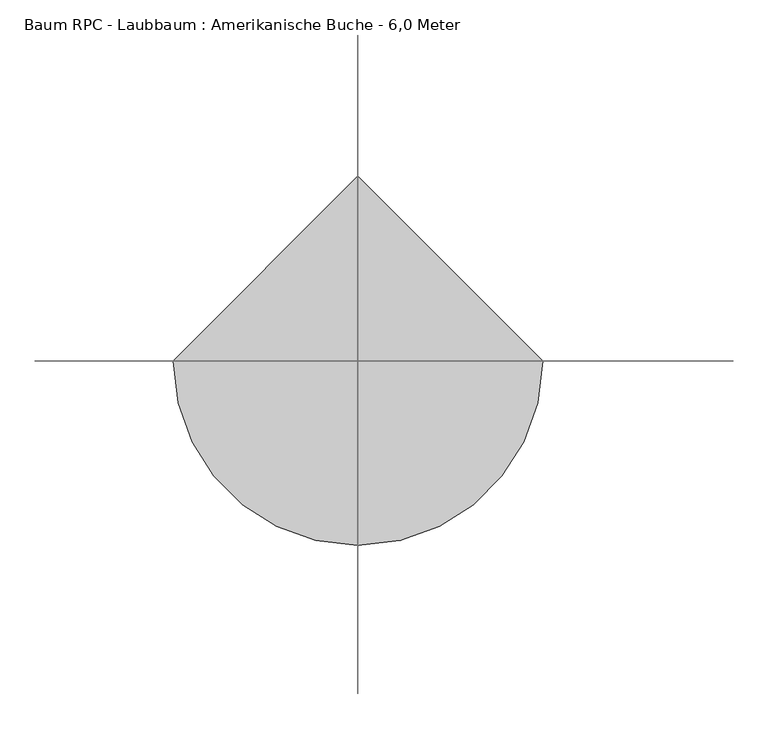
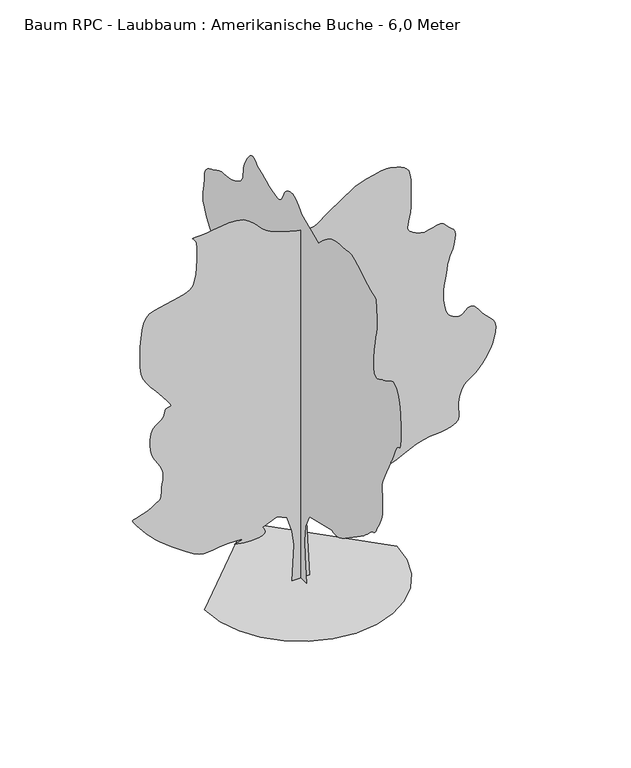
"""IFC4 building model written with IfcOpenShell, lengths in millimetres: geographic element geometry, Baum RPC - Laubbaum : Amerikanische Buche - 6,0 Meter."""

import ifcopenshell
import ifcopenshell.guid

model = None  # the IFC model being written
_history = None  # IfcOwnerHistory: only IFC2X3 demands one
_inside = {}  # id of a spatial element -> (the spatial element, [elements in it])
_under = {}  # id of a project, library or spatial element -> (it, [spatial elements below it])
_declared = {}  # id of a project -> (the project, [libraries it declares])
_typed = {}  # id of a type object -> (the type object, [elements of that type])
_made_of = {}  # id of a material, layer set ... -> (it, [elements and type objects made of it])


def new_model(schema):
    """Start an empty IFC model of exactly this schema.

    Asked for "IFC4X3", IfcOpenShell would pick the latest addendum, in which some entities
    have other attributes; the version numbers below select the first issue.
    IFC2X3 requires an IfcOwnerHistory on every rooted entity: one is made here for all.
    """
    global model, _history
    if schema == "IFC4X3":
        model = ifcopenshell.file(schema_version=(4, 3, 0, 0))
    else:
        model = ifcopenshell.file(schema=schema)
    _inside.clear()
    _under.clear()
    _declared.clear()
    _typed.clear()
    _made_of.clear()
    _history = None
    if model.schema == "IFC2X3":
        org = make("IfcOrganization", Name="unknown")
        user = make(
            "IfcPersonAndOrganization",
            ThePerson=make("IfcPerson", FamilyName="unknown"),
            TheOrganization=org,
        )
        app = make(
            "IfcApplication",
            ApplicationDeveloper=org,
            Version="unknown",
            ApplicationFullName="unknown",
            ApplicationIdentifier="unknown",
        )
        _history = make(
            "IfcOwnerHistory",
            OwningUser=user,
            OwningApplication=app,
            ChangeAction="ADDED",
            CreationDate=0,
        )
    return model


def make(cls, **values):
    """One entity of the class cls with the attributes given. An attribute that is None is left unset."""
    return model.create_entity(
        cls, **{name: value for name, value in values.items() if value is not None}
    )


def rooted(cls, **values):
    """An entity with a GlobalId (a new one), such as an element, a storey or a relation."""
    return make(cls, GlobalId=ifcopenshell.guid.new(), OwnerHistory=_history, **values)


def si_unit(unit_type, name, prefix=None):
    """IfcSIUnit, for example si_unit("LENGTHUNIT", "METRE", prefix="MILLI")."""
    return make("IfcSIUnit", UnitType=unit_type, Prefix=prefix, Name=name)


def assignment(units):
    """IfcUnitAssignment: the units of a project."""
    return None if units is None else make("IfcUnitAssignment", Units=units)


def point(xyz):
    """IfcCartesianPoint."""
    return None if xyz is None else make("IfcCartesianPoint", Coordinates=xyz)


def direction(xyz):
    """IfcDirection."""
    return None if xyz is None else make("IfcDirection", DirectionRatios=xyz)


def frame(location, z_axis=None, x_axis=None):
    """IfcAxis2Placement3D, a coordinate frame: its origin and axes. An axis left out is left unset."""
    return make(
        "IfcAxis2Placement3D",
        Location=point(location),
        Axis=direction(z_axis),
        RefDirection=direction(x_axis),
    )


def origin():
    """The frame at (0, 0, 0) with its axes left unset."""
    return frame((0.0, 0.0, 0.0))


def place(relative_to, where):
    """IfcLocalPlacement: puts the frame where relative to a parent placement (None: the world)."""
    return make(
        "IfcLocalPlacement", PlacementRelTo=relative_to, RelativePlacement=where
    )


def context(
    kind, dimensions, precision=None, world=None, true_north=None, identifier=None
):
    """IfcGeometricRepresentationContext, for example the 3D "Model" context."""
    return make(
        "IfcGeometricRepresentationContext",
        ContextIdentifier=identifier,
        ContextType=kind,
        CoordinateSpaceDimension=dimensions,
        Precision=precision,
        WorldCoordinateSystem=world,
        TrueNorth=true_north,
    )


def project(units=None, contexts=None):
    """IfcProject with its units and contexts."""
    return rooted(
        "IfcProject",
        Name="project",
        RepresentationContexts=contexts,
        UnitsInContext=assignment(units),
    )


def spatial(cls, under=None, at=None, **own):
    """A site, building, storey or space (cls), placed at a placement, below another one or the project."""
    s = rooted(cls, ObjectPlacement=at, **own)
    if under is not None:
        _under.setdefault(under.id(), (under, []))[1].append(s)
    return s


def point_list(points):
    """IfcCartesianPointList2D or 3D."""
    cls = (
        "IfcCartesianPointList2D" if len(points[0]) == 2 else "IfcCartesianPointList3D"
    )
    return make(cls, CoordList=points)


def triangles(points, corners, closed=None, point_numbers=None):
    """IfcTriangulatedFaceSet: each triangle names its three corners, points numbered from 1."""
    return make(
        "IfcTriangulatedFaceSet",
        Coordinates=point_list(points),
        Closed=closed,
        CoordIndex=corners,
        PnIndex=point_numbers,
    )


def shape(context_of_items, identifier, shape_type, items):
    """IfcShapeRepresentation: the items that make up one representation, for example the "Body"."""
    return make(
        "IfcShapeRepresentation",
        ContextOfItems=context_of_items,
        RepresentationIdentifier=identifier,
        RepresentationType=shape_type,
        Items=items,
    )


def source(mapping_origin, context_of_items, identifier, shape_type, items):
    """IfcRepresentationMap: a shape defined once, which mapped items show again and again."""
    return make(
        "IfcRepresentationMap",
        MappingOrigin=mapping_origin,
        MappedRepresentation=shape(context_of_items, identifier, shape_type, items),
    )


def transform(
    local_origin,
    x_axis=None,
    y_axis=None,
    z_axis=None,
    scale=None,
    scale2=None,
    scale3=None,
    uniform=True,
):
    """IfcCartesianTransformationOperator3D, or its non-uniform kind. x_axis, y_axis, z_axis: its Axis1, 2, 3."""
    if uniform:
        return make(
            "IfcCartesianTransformationOperator3D",
            Axis1=direction(x_axis),
            Axis2=direction(y_axis),
            LocalOrigin=point(local_origin),
            Scale=scale,
            Axis3=direction(z_axis),
        )
    return make(
        "IfcCartesianTransformationOperator3DnonUniform",
        Axis1=direction(x_axis),
        Axis2=direction(y_axis),
        LocalOrigin=point(local_origin),
        Scale=scale,
        Axis3=direction(z_axis),
        Scale2=scale2,
        Scale3=scale3,
    )


def mapped(mapping_source, mapping_target):
    """IfcMappedItem: shows the shape of a source again, moved by a transform."""
    return make(
        "IfcMappedItem", MappingSource=mapping_source, MappingTarget=mapping_target
    )


def made_of(thing, what):
    """Note that an element or type object is made of a material, layer set ...; save() writes the relation."""
    if what is not None:
        _made_of.setdefault(what.id(), (what, []))[1].append(thing)
    return thing


def element(
    cls,
    number,
    at=None,
    inside=None,
    cuts=None,
    type_object=None,
    material=None,
    context=None,
    identifier="Body",
    shape_type=None,
    held_by="IfcProductDefinitionShape",
    body=None,
    shapes=None,
    **own,
):
    """One element of the class cls, such as IfcWall. Its Tag is "e" and its number.

    at: its placement. inside: the storey or other place that contains it. cuts: it is an
    opening in that element (IfcRelVoidsElement). A single representation is given by context,
    identifier, shape_type and body (its items); several are given by shapes. held_by: the class
    of the entity that holds the representations. save() writes the other relations.
    """
    e = rooted(cls, Tag="e%d" % number, ObjectPlacement=at, **own)
    if body is not None:
        shapes = [shape(context, identifier, shape_type, body)]
    if shapes is not None:
        e.Representation = make(held_by, Representations=shapes)
    if inside is not None:
        _inside.setdefault(inside.id(), (inside, []))[1].append(e)
    if cuts is not None:
        rooted(
            "IfcRelVoidsElement", RelatingBuildingElement=cuts, RelatedOpeningElement=e
        )
    if type_object is not None:
        _typed.setdefault(type_object.id(), (type_object, []))[1].append(e)
    return made_of(e, material)


def aggregate(whole, parts):
    """IfcRelAggregates: a whole, such as a stair, and the parts it consists of."""
    return rooted("IfcRelAggregates", RelatingObject=whole, RelatedObjects=parts)


def save(model, path):
    """Write the relations noted so far, then the file.

    IfcRelAggregates (storeys below a building ...), IfcRelContainedInSpatialStructure (elements
    in a storey), IfcRelDefinesByType, IfcRelAssociatesMaterial and IfcRelDeclares: one each for
    every whole, place, type object, material and project.
    """
    for whole, parts in _under.values():
        aggregate(whole, parts)
    for where, things in _inside.values():
        rooted(
            "IfcRelContainedInSpatialStructure",
            RelatedElements=things,
            RelatingStructure=where,
        )
    for kind, things in _typed.values():
        rooted("IfcRelDefinesByType", RelatedObjects=things, RelatingType=kind)
    for what, things in _made_of.values():
        rooted("IfcRelAssociatesMaterial", RelatedObjects=things, RelatingMaterial=what)
    for by, libraries in _declared.values():
        rooted("IfcRelDeclares", RelatingContext=by, RelatedDefinitions=libraries)
    model.write(path)


def baum_rpc_laubbaum_amerikanische_buche_6_0_meter_192016b0(model_context):
    return source(origin(), model_context, "Body", "Tessellation", [
        triangles([(0.0009733, 134.7013619, 0.0), (0.0009733, -147.494867, 0.0), (0.0009733, -109.8685844, 413.8878181), (0.0009733, -100.4623272, 649.050499), (0.0009733, -119.2748417, 884.2131798), (0.0009733, -232.153435, 1100.5633461), (0.0009733, -805.9506603, 1241.6609837), (0.0009733, -836.5581671, 1230.0334957), (0.0009733, -869.3831984, 1221.2035114), (0.0009733, -906.6532345, 1217.965991), (0.0009733, -950.5882708, 1223.1234524), (0.0009733, -1003.4058317, 1239.4685303), (0.0009733, -1067.3308542, 1269.7985104), (0.0009733, -1144.5859497, 1316.9135124), (0.0009733, -1455.0011593, 1533.2636787), (0.0009733, -1498.8811844, 1564.1163013), (0.0009733, -1542.2661816, 1593.486311), (0.0009733, -1585.8162849, 1623.3513485), (0.0009733, -1630.1888672, 1655.6862934), (0.0009733, -1676.041301, 1692.4613743), (0.0009733, -1724.0338657, 1735.6539413), (0.0009733, -1774.8239342, 1787.2388741), (0.0009733, -1818.8389801, 1828.7590141), (0.0009733, -1849.3615356, 1847.5739994), (0.0009733, -1871.3289448, 1854.3740204), (0.0009733, -1889.6765167, 1859.8590054), (0.0009733, -1909.3389793, 1874.723941), (0.0009733, -1935.2541126, 1909.6614887), (0.0009733, -1972.3591152, 1975.3715767), (0.0009733, -2012.7566494, 2050.40159), (0.0009733, -2045.5841515, 2111.4491718), (0.0009733, -2071.3341785, 2166.4067184), (0.0009733, -2090.5042294, 2223.1767998), (0.0009733, -2103.5867157, 2289.651812), (0.0009733, -2111.0717239, 2373.7344704), (0.0009733, -2113.4592236, 2483.3219673), (0.0009733, -2108.7967175, 2583.5521866), (0.0009733, -2099.1991928, 2645.9521568), (0.0009733, -2091.2441551, 2687.927211), (0.0009733, -2091.5191383, 2726.9521545), (0.0009733, -2106.6016479, 2780.4520866), (0.0009733, -2143.0767471, 2865.9023941), (0.0009733, -2207.5242668, 3000.6773071), (0.0009733, -2272.3543213, 3131.8524399), (0.0009733, -2311.5169018, 3208.0524399), (0.0009733, -2333.894315, 3249.2275429), (0.0009733, -2348.3743904, 3275.2526985), (0.0009733, -2363.8419056, 3306.0525627), (0.0009733, -2389.1819286, 3361.5276649), (0.0009733, -2433.2793823, 3461.6026611), (0.0009733, -2483.0818657, 3552.8029083), (0.0009733, -2520.7019531, 3587.7528099), (0.0009733, -2547.8020432, 3595.3779259), (0.0009733, -2566.002095, 3604.6529411), (0.0009733, -2576.9770065, 3644.5278328), (0.0009733, -2582.3519691, 3743.9528687), (0.0009733, -2583.7771729, 3931.9280228), (0.0009733, -2574.1771774, 4144.4034256), (0.0009733, -2548.4520035, 4302.6033623), (0.0009733, -2511.2269501, 4413.2285866), (0.0009733, -2467.0668549, 4483.053685), (0.0009733, -2420.6093708, 4518.8035378), (0.0009733, -2376.4568333, 4527.2536034), (0.0009733, -2339.2143391, 4515.1284714), (0.0009733, -2306.9368034, 4495.0285355), (0.0009733, -2274.4943069, 4475.2535797), (0.0009733, -2241.7217434, 4456.1535828), (0.0009733, -2208.456768, 4438.0035278), (0.0009733, -2174.5318039, 4421.2036812), (0.0009733, -2139.7866863, 4406.0284447), (0.0009733, -2104.0516582, 4392.8533768), (0.0009733, -2063.4090809, 4373.6783844), (0.0009733, -2017.3366024, 4348.9034431), (0.0009733, -1970.769096, 4331.3783501), (0.0009733, -1928.6465218, 4333.9284851), (0.0009733, -1895.9015728, 4369.4033546), (0.0009733, -1877.4714478, 4450.6036308), (0.0009733, -1878.294072, 4590.3785294), (0.0009733, -1893.3515831, 4743.5287743), (0.0009733, -1912.3565277, 4862.9287537), (0.0009733, -1932.3490574, 4958.6287262), (0.0009733, -1950.3665623, 5040.6789505), (0.0009733, -1963.4490486, 5119.1288132), (0.0009733, -1968.6315811, 5203.9794479), (0.0009733, -1962.9540207, 5305.2790787), (0.0009733, -1955.0840069, 5402.479541), (0.0009733, -1951.8190899, 5472.3543457), (0.0009733, -1947.4040977, 5521.0042831), (0.0009733, -1936.0790623, 5554.5045639), (0.0009733, -1912.0815445, 5578.9792328), (0.0009733, -1869.6565178, 5600.4796646), (0.0009733, -1803.044014, 5625.1043243), (0.0009733, -1720.9064404, 5661.3794357), (0.0009733, -1636.6338226, 5709.179425), (0.0009733, -1551.5337845, 5761.6047134), (0.0009733, -1466.931245, 5811.7045624), (0.0009733, -1384.1386242, 5852.579393), (0.0009733, -1304.4711033, 5877.3546249), (0.0009733, -1229.2460438, 5879.0795197), (0.0009733, -1155.7484224, 5869.4295273), (0.0009733, -1081.2633614, 5862.9049255), (0.0009733, -1007.1082947, 5856.8547134), (0.0009733, -934.5982584, 5848.679631), (0.0009733, -865.0506866, 5835.7548386), (0.0009733, -799.7806154, 5815.4049179), (0.0009733, -740.1056242, 5785.0044479), (0.0009733, -686.9580688, 5749.2798843), (0.0009733, -639.7330444, 5714.5296799), (0.0009733, -597.445473, 5680.604425), (0.0009733, -559.105444, 5647.3547104), (0.0009733, -523.727916, 5614.5793854), (0.0009733, -490.3253763, 5582.1296219), (0.0009733, -457.9103491, 5549.8542664), (0.0009733, -15.8033629, 5737.9794113), (0.0009733, 22.480868, 5779.9547562), (0.0009733, 60.6827967, 5819.9046432), (0.0009733, 98.7203278, 5855.7047836), (0.0009733, 136.5108627, 5885.354718), (0.0009733, 173.9723933, 5906.7795731), (0.0009733, 211.0226754, 5917.9044754), (0.0009733, 247.5792013, 5916.7045486), (0.0009733, 282.6827272, 5907.9045044), (0.0009733, 315.3177446, 5896.9545914), (0.0009733, 345.3202738, 5882.8798691), (0.0009733, 372.5252993, 5864.7048157), (0.0009733, 396.7678239, 5841.4294922), (0.0009733, 417.8828505, 5812.054541), (0.0009733, 435.7103597, 5775.6044403), (0.0009733, 452.7128466, 5735.1795822), (0.0009733, 472.6778707, 5696.4046234), (0.0009733, 497.4153869, 5662.079393), (0.0009733, 528.7329157, 5634.979303), (0.0009733, 568.4429555, 5617.9047638), (0.0009733, 618.3554976, 5613.7044388), (0.0009733, 680.2805695, 5625.1043243), (0.0009733, 747.7156248, 5646.6297546), (0.0009733, 813.1781261, 5670.6294525), (0.0009733, 876.993199, 5696.6796066), (0.0009733, 939.4932358, 5724.37966), (0.0009733, 1001.0058329, 5753.3046387), (0.0009733, 1061.8608393, 5783.054567), (0.0009733, 1122.385924, 5813.2294693), (0.0009733, 1150.6609423, 5838.9296448), (0.0009733, 1179.2634115, 5861.579425), (0.0009733, 1208.5259422, 5878.1545761), (0.0009733, 1238.7735146, 5885.5797043), (0.0009733, 1270.3410645, 5880.8299942), (0.0009733, 1303.5511013, 5860.8794678), (0.0009733, 1338.7360176, 5822.6294769), (0.0009733, 1373.2086227, 5775.8044281), (0.0009733, 1403.7311783, 5731.2548218), (0.0009733, 1429.8111271, 5687.8795624), (0.0009733, 1450.9562027, 5644.4793045), (0.0009733, 1466.6712318, 5599.9546967), (0.0009733, 1476.4611866, 5553.1046494), (0.0009733, 1479.8336552, 5502.8042313), (0.0009733, 1483.4812523, 5452.1044189), (0.0009733, 1495.191148, 5404.7044052), (0.0009733, 1516.1161789, 5360.4042023), (0.0009733, 1547.4087456, 5319.0793991), (0.0009733, 1590.2163071, 5280.554425), (0.0009733, 1645.6963509, 5244.6542908), (0.0009733, 1714.996336, 5211.204007), (0.0009733, 1788.9063595, 5186.2043701), (0.0009733, 1858.2064899, 5172.3790512), (0.0009733, 1924.0515987, 5164.8039322), (0.0009733, 1987.5940865, 5158.5543137), (0.0009733, 2049.9841736, 5148.679335), (0.0009733, 2112.3742607, 5130.2542969), (0.0009733, 2175.9167484, 5098.32892), (0.0009733, 2240.5017597, 5064.3292511), (0.0009733, 2303.2743816, 5038.2291), (0.0009733, 2361.2769459, 5012.9289001), (0.0009733, 2411.5469879, 4981.4040802), (0.0009733, 2451.1195724, 4936.5289124), (0.0009733, 2477.0345604, 4871.2538269), (0.0009733, 2486.331958, 4778.503965), (0.0009733, 2492.5844833, 4683.078685), (0.0009733, 2506.4019539, 4608.2036041), (0.0009733, 2520.4019714, 4544.5287117), (0.0009733, 2527.1521408, 4482.6537094), (0.0009733, 2519.2520416, 4413.2285866), (0.0009733, 2489.2945679, 4326.8283371), (0.0009733, 2429.8919437, 4214.1282394), (0.0009733, 2356.3968658, 4101.0031677), (0.0009733, 2289.9743214, 4014.028244), (0.0009733, 2231.9442879, 3944.8531059), (0.0009733, 2183.6218014, 3885.0279785), (0.0009733, 2146.3266941, 3826.2030807), (0.0009733, 2121.3692059, 3759.9780533), (0.0009733, 2110.0716396, 3677.9528275), (0.0009733, 2115.5842392, 3588.602758), (0.0009733, 2136.8916595, 3505.6778778), (0.0009733, 2169.0617889, 3428.6526375), (0.0009733, 2207.1542313, 3357.0776459), (0.0009733, 2246.2317879, 3290.4526428), (0.0009733, 2281.3643818, 3228.2526604), (0.0009733, 2307.6092915, 3170.0024368), (0.0009733, 2333.0293968, 3130.6025162), (0.0009733, 2364.704353, 3115.0525932), (0.0009733, 2396.2143482, 3108.0524391), (0.0009733, 2421.1443672, 3094.3024063), (0.0009733, 2433.074453, 3058.5275551), (0.0009733, 2425.586974, 2985.3773689), (0.0009733, 2392.2669147, 2859.5771988), (0.0009733, 2346.3593971, 2717.8521286), (0.0009733, 2303.741795, 2602.2772064), (0.0009733, 2261.946817, 2505.6519997), (0.0009733, 2218.506736, 2420.6843662), (0.0009733, 2170.9542606, 2340.1668972), (0.0009733, 2116.8167221, 2256.8517792), (0.0009733, 2053.6316254, 2163.5016632), (0.0009733, 1990.2540985, 2069.4091507), (0.0009733, 1937.0790012, 1987.8215435), (0.0009733, 1893.941518, 1917.4240963), (0.0009733, 1860.6739265, 1856.8965408), (0.0009733, 1837.1164982, 1804.928928), (0.0009733, 1823.1039814, 1760.1989548), (0.0009733, 1818.4689445, 1721.3939106), (0.0009733, 1822.4189941, 1694.76385), (0.0009733, 1831.633984, 1682.286414), (0.0009733, 1842.1640099, 1676.2263187), (0.0009733, 1850.0614929, 1668.8488621), (0.0009733, 1851.3789997, 1652.4213764), (0.0009733, 1842.1640099, 1619.2113396), (0.0009733, 1818.4689445, 1561.4837585), (0.0009733, 1798.7513981, 1500.5736683), (0.0009733, 1796.6388817, 1458.9161819), (0.0009733, 1800.9439968, 1430.4235897), (0.0009733, 1800.4789089, 1409.0036762), (0.0009733, 1784.0514233, 1388.5736732), (0.0009733, 1740.4738506, 1363.0410748), (0.0009733, 1658.5587925, 1326.3210777), (0.0009733, 1569.2912762, 1288.8036003), (0.0009733, 1504.2137077, 1262.3110313), (0.0009733, 1452.9586967, 1242.8959373), (0.0009733, 1405.1585621, 1226.6059433), (0.0009733, 1350.4460587, 1209.4934704), (0.0009733, 1278.4585922, 1187.608469), (0.0009733, 1178.8259382, 1157.003433), (0.0009733, 1078.8083513, 1127.6584219), (0.0009733, 1006.4358067, 1109.9959099), (0.0009733, 952.4932417, 1100.7283796), (0.0009733, 907.7631958, 1096.558358), (0.0009733, 863.0356934, 1094.2008711), (0.0009733, 809.0906576, 1090.3608438), (0.0009733, 736.7181129, 1081.7508316), (0.0009733, 652.0604897, 1068.0108273), (0.0009733, 567.4004683, 1051.3083584), (0.0009733, 482.7428813, 1032.140851), (0.0009733, 398.0828236, 1010.9957754), (0.0009733, 313.4252366, 988.3707756), (0.0009733, 228.7664324, 964.7582634), (0.0009733, 144.1076192, 940.6532667), (134.0396109, 0.0003104, 0.0138465), (-129.3426047, 0.0003104, 0.0138465), (-101.123079, 0.0002775, 554.9979549), (-129.3426047, 0.000265, 780.7556139), (-204.5949064, 0.0002508, 1015.9182947), (-355.1002728, 0.0002461, 1091.1708961), (-571.4504391, 0.0002508, 997.1057802), (-553.8429382, 0.0002524, 972.9983128), (-539.4454159, 0.000254, 949.3882713), (-531.465416, 0.0002555, 926.7632715), (-533.1104101, 0.0002571, 905.6181959), (-547.5904492, 0.0002587, 886.4482178), (-578.1129684, 0.0002587, 869.7482197), (-627.8879826, 0.0002602, 856.0082153), (-686.4380424, 0.0002602, 846.9306444), (-741.5356241, 0.0002602, 843.2831926), (-793.7506056, 0.0002602, 844.1606827), (-843.663184, 0.0002602, 848.6581553), (-891.8481789, 0.0002602, 855.8706511), (-938.8807732, 0.0002587, 864.8932108), (-985.3357864, 0.0002587, 874.8207298), (-938.2757229, 0.0002587, 886.8056814), (-899.1156858, 0.0002571, 898.1307169), (-875.7482168, 0.0002571, 908.1407164), (-876.0782112, 0.0002555, 916.1757637), (-908.000754, 0.0002555, 921.5782682), (-979.4132555, 0.0002555, 923.690712), (-1098.2133442, 0.0002555, 921.8532515), (-1223.378524, 0.0002571, 913.2156973), (-1316.2934921, 0.0002571, 899.9682501), (-1388.4736794, 0.0002571, 889.0256767), (-1451.4387314, 0.0002571, 887.2982386), (-1516.7087299, 0.0002571, 901.6956882), (-1595.8012859, 0.0002555, 939.1307579), (-1700.2313942, 0.0002508, 1006.5108021), (-1816.016478, 0.0002461, 1088.4284037), (-1921.6016029, 0.0002414, 1165.4084433), (-2017.1466431, 0.0002367, 1238.2735451), (-2102.8191753, 0.0002336, 1307.8509842), (-2178.7867767, 0.0002289, 1374.9560452), (-2245.2068504, 0.0002242, 1440.4186192), (-2302.2492989, 0.0002211, 1505.0587143), (-2354.1368294, 0.0002179, 1567.5838223), (-2402.8969345, 0.0002132, 1625.1762371), (-2445.4045143, 0.0002101, 1676.3488403), (-2478.5318527, 0.0002085, 1719.6238152), (-2499.1544312, 0.0002069, 1753.5214554), (-2504.1520912, 0.0002054, 1776.5588573), (-2490.3793854, 0.0002038, 1787.2539894), (-2459.3920326, 0.0002038, 1794.0263958), (-2417.5419708, 0.0002038, 1805.7364368), (-2368.9443558, 0.0002022, 1821.5614883), (-2317.716814, 0.0002007, 1840.6764553), (-2267.9692692, 0.0001991, 1862.2590042), (-2223.8167316, 0.0001991, 1885.4865108), (-2189.3717411, 0.0001975, 1909.5389671), (-2162.3867603, 0.000196, 1927.8015152), (-2138.1966671, 0.000196, 1938.169051), (-2117.2992508, 0.0001944, 1946.561562), (-2100.1866325, 0.0001944, 1958.9015064), (-2087.3541309, 0.0001928, 1981.1165749), (-2079.291687, 0.0001897, 2019.1266094), (-2076.4941833, 0.0001866, 2078.8566845), (-2072.5992176, 0.0001834, 2146.7042873), (-2063.769088, 0.0001787, 2206.9817127), (-2054.2791149, 0.0001756, 2262.4893711), (-2048.4115952, 0.0001725, 2316.0218594), (-2050.4417038, 0.0001693, 2370.3768265), (-2064.6466507, 0.0001662, 2428.3494507), (-2095.3066978, 0.0001615, 2492.7420319), (-2134.2492336, 0.0001583, 2555.8271347), (-2169.5717869, 0.0001552, 2611.5022247), (-2199.9567055, 0.0001521, 2665.0271553), (-2224.0917149, 0.0001489, 2721.6771858), (-2240.6542213, 0.0001442, 2786.727285), (-2248.3342758, 0.0001395, 2865.4274231), (-2245.8117554, 0.0001348, 2963.0772766), (-2228.8892418, 0.0001286, 3053.9275452), (-2197.981826, 0.0001254, 3115.1525871), (-2158.6842247, 0.0001223, 3156.3273994), (-2116.5866489, 0.0001207, 3186.952565), (-2077.289193, 0.0001191, 3216.6024994), (-2046.3816319, 0.000116, 3254.8024933), (-2029.4615891, 0.0001129, 3311.1025452), (-2011.7716805, 0.0001113, 3359.2778023), (-1982.4015255, 0.0001097, 3377.3025742), (-1952.6991234, 0.0001097, 3381.2026268), (-1934.0241005, 0.0001082, 3386.9025696), (-1937.7264908, 0.0001082, 3410.3775902), (-1975.1615604, 0.0001035, 3467.6028763), (-2057.6791981, 9.72e-05, 3574.5027466), (-2156.9017754, 9.09e-05, 3694.6029739), (-2237.5292667, 8.47e-05, 3789.0530228), (-2300.5494026, 8e-05, 3870.1780128), (-2346.9519482, 7.53e-05, 3950.303064), (-2377.7218723, 7.05e-05, 4041.8032928), (-2393.8469055, 6.27e-05, 4156.9782394), (-2396.3144875, 5.33e-05, 4308.2033112), (-2391.2694466, 4.39e-05, 4470.0786049), (-2382.4394623, 3.61e-05, 4609.2538307), (-2367.1893757, 2.98e-05, 4726.0536781), (-2342.8918762, 2.35e-05, 4820.8039993), (-2306.911805, 1.88e-05, 4893.8541916), (-2256.6142937, 1.57e-05, 4945.4789474), (-2189.3717411, 1.41e-05, 4976.0538254), (-2104.7391163, 1.25e-05, 4994.8788391), (-2008.7541321, 1.25e-05, 5012.5289246), (-1908.491502, 1.1e-05, 5031.3539383), (-1811.0265209, 9.4e-06, 5053.6293228), (-1723.4339024, 7.8e-06, 5081.653775), (-1652.7887959, 6.3e-06, 5117.7288986), (-1606.1663509, 3.1e-06, 5164.2039688), (-1578.8513031, -1.6e-06, 5232.7044388), (-1560.4237942, -6.3e-06, 5326.3795349), (-1549.3987404, -1.25e-05, 5434.7043182), (-1544.298761, -2.04e-05, 5547.1544312), (-1543.6387722, -2.67e-05, 5653.1793549), (-1545.9437187, -3.14e-05, 5742.2547318), (-1549.7288074, -3.45e-05, 5803.8294617), (-1560.9438206, -3.76e-05, 5842.6794159), (-1580.7187763, -3.92e-05, 5871.4799835), (-1600.3263004, -4.08e-05, 5891.7049118), (-1611.0487564, -4.08e-05, 5904.879689), (-1604.1663277, -4.23e-05, 5912.4298096), (-1570.95382, -4.23e-05, 5915.9045975), (-1502.6962132, -4.23e-05, 5916.7295471), (-1406.2711395, -4.23e-05, 5923.0547424), (-1298.001004, -4.39e-05, 5937.4550262), (-1183.3109116, -4.39e-05, 5953.0046585), (-1067.6358501, -4.39e-05, 5962.7796432), (-956.4032501, -4.39e-05, 5959.9048187), (-855.043158, -4.39e-05, 5937.4550262), (-768.9856201, -4.08e-05, 5888.5045258), (-703.6355392, -3.61e-05, 5829.3546478), (-655.0655388, -3.29e-05, 5779.2298004), (-614.7254866, -3.14e-05, 5735.7045502), (-574.0554763, -2.82e-05, 5696.3046295), (-524.5004342, -2.67e-05, 5658.5546082), (-457.5028522, -2.35e-05, 5619.9546387), (-364.5052946, -2.19e-05, 5578.0792877), (-256.7552037, -1.88e-05, 5538.7543625), (-153.2841212, -1.72e-05, 5508.8044464), (-57.2167973, -1.57e-05, 5487.254599), (28.3195219, -1.57e-05, 5473.1042999), (100.1988258, -1.57e-05, 5465.3791901), (155.2941184, -1.41e-05, 5463.054332), (190.4793981, -1.57e-05, 5465.2042007), (215.8194211, -1.57e-05, 5473.054303), (243.4629373, -1.57e-05, 5487.6295761), (273.410219, -1.72e-05, 5507.6545166), (305.6602309, -1.88e-05, 5531.7792068), (340.2152802, -2.04e-05, 5558.729306), (377.0728051, -2.19e-05, 5587.1293167), (416.2353493, -2.35e-05, 5615.7043167), (792.4981384, -3.92e-05, 5869.679512), (817.2881224, -3.92e-05, 5878.9295288), (882.5581936, -4.08e-05, 5902.1548553), (974.6482847, -4.23e-05, 5932.6297394), (1079.9033426, -4.55e-05, 5963.5795944), (1184.6634453, -4.55e-05, 5988.3048294), (1275.2734669, -4.7e-05, 6000.0046967), (1338.0760288, -4.7e-05, 5991.9796051), (1385.3260517, -4.55e-05, 5975.0550568), (1436.1986732, -4.39e-05, 5961.4297256), (1487.4012165, -4.39e-05, 5946.3044861), (1535.6386791, -4.23e-05, 5924.9546265), (1577.6262325, -4.08e-05, 5892.5548599), (1610.068729, -3.76e-05, 5844.3798935), (1629.6788692, -3.29e-05, 5775.6294388), (1639.0838184, -2.82e-05, 5698.6044891), (1643.8838161, -2.51e-05, 5627.2047775), (1645.2263214, -2.04e-05, 5558.9042953), (1644.2663509, -1.72e-05, 5491.2793533), (1642.1538345, -1.25e-05, 5421.8545212), (1640.0437889, -7.8e-06, 5348.1293701), (1639.0838184, -3.1e-06, 5267.6790482), (1634.0912453, 1.6e-06, 5187.5792862), (1622.1912449, 6.3e-06, 5116.5539703), (1607.9838272, 9.4e-06, 5054.4042755), (1596.0812107, 1.25e-05, 5001.0040466), (1591.0912537, 1.57e-05, 4956.1288788), (1597.6187622, 1.72e-05, 4919.6537796), (1620.2713039, 1.88e-05, 4891.4037598), (1651.9738747, 2.04e-05, 4868.9289688), (1682.6888603, 2.19e-05, 4849.728978), (1712.5813671, 2.19e-05, 4833.6537964), (1741.8138851, 2.35e-05, 4820.5537239), (1770.5564621, 2.35e-05, 4810.2287727), (1798.9665012, 2.51e-05, 4802.5539505), (1827.213905, 2.51e-05, 4797.3289787), (1863.2490601, 2.51e-05, 4800.3037971), (1911.6264851, 2.35e-05, 4812.9788956), (1967.4065105, 2.35e-05, 4828.9287941), (2025.6565887, 2.19e-05, 4841.7788818), (2081.4366142, 2.19e-05, 4845.0539726), (2129.8141846, 2.35e-05, 4832.3788742), (2165.8491943, 2.51e-05, 4797.3289787), (2195.3593117, 2.67e-05, 4758.0787582), (2225.6892918, 2.82e-05, 4731.9538994), (2254.2093533, 2.98e-05, 4711.4536972), (2278.2892788, 3.14e-05, 4688.9536171), (2295.2918747, 3.29e-05, 4656.9288277), (2302.5867783, 3.61e-05, 4607.7786301), (2297.5418827, 4.08e-05, 4533.9534851), (2283.3617889, 4.55e-05, 4455.6536133), (2265.8942505, 4.86e-05, 4393.6536186), (2246.4493618, 5.17e-05, 4341.2033318), (2226.3468098, 5.49e-05, 4291.5284569), (2206.9042465, 5.8e-05, 4237.9035324), (2189.4342373, 6.27e-05, 4173.6033875), (2175.2567596, 6.74e-05, 4091.8531448), (2162.3117649, 7.21e-05, 4004.3782516), (2148.874213, 7.68e-05, 3925.278138), (2136.7516972, 8.15e-05, 3851.452993), (2127.756752, 8.62e-05, 3779.753009), (2123.6991508, 8.94e-05, 3707.0780846), (2126.3866322, 9.41e-05, 3630.302829), (2137.6292599, 9.88e-05, 3546.2777252), (2155.4842747, 0.0001035, 3469.5027603), (2176.791695, 0.0001066, 3413.652681), (2201.5542824, 0.0001097, 3374.2527603), (2229.7742168, 0.0001113, 3346.8526886), (2261.4493183, 0.0001129, 3327.0277359), (2296.5817669, 0.0001129, 3310.302594), (2335.1669117, 0.0001144, 3292.3025299), (2374.57439, 0.0001144, 3289.8526794), (2413.1618603, 0.0001129, 3313.0777153), (2452.4043777, 0.0001113, 3347.3276596), (2493.7893517, 0.0001097, 3377.9778236), (2538.8020111, 0.0001082, 3390.3276512), (2588.9021507, 0.0001097, 3369.8027412), (2645.5771797, 0.0001144, 3301.7025375), (2706.5522369, 0.0001191, 3218.4776756), (2765.8771042, 0.0001223, 3156.4523918), (2819.5773148, 0.0001254, 3106.9525063), (2863.7772331, 0.0001286, 3061.2523888), (2894.4523956, 0.0001317, 3010.6022827), (2907.702459, 0.0001348, 2946.27743), (2899.552375, 0.0001411, 2859.6021973), (2878.1022308, 0.0001458, 2766.3520752), (2853.5522758, 0.0001505, 2686.1020317), (2825.0272728, 0.0001552, 2615.7519653), (2791.7272705, 0.0001583, 2552.1270699), (2752.8273193, 0.0001615, 2492.1121284), (2707.5271774, 0.0001662, 2432.6019527), (2654.9771873, 0.0001693, 2370.4569088), (2600.8270042, 0.0001725, 2317.1443199), (2551.1021324, 0.0001756, 2280.2868313), (2505.6519997, 0.0001772, 2250.9967587), (2464.3344635, 0.0001787, 2220.3917953), (2426.9544777, 0.0001803, 2179.5842571), (2393.3594353, 0.000185, 2119.691692), (2363.3868462, 0.0001897, 2031.8240902), (2347.2343437, 0.000196, 1934.7965824), (2348.1943142, 0.0002007, 1852.2490047), (2355.7344063, 0.0002038, 1782.5363995), (2359.3269196, 0.0002085, 1724.0138088), (2348.4393574, 0.0002116, 1675.0338043), (2312.5418392, 0.0002132, 1633.9512829), (2241.1017231, 0.0002148, 1599.1237576), (2155.26423, 0.0002164, 1575.9487186), (2078.4766205, 0.0002179, 1565.7737583), (2003.661565, 0.0002179, 1560.866209), (1923.7465302, 0.0002179, 1553.4887524), (1831.6565117, 0.0002195, 1535.9111916), (1720.3138893, 0.0002211, 1500.3962082), (1582.6438042, 0.0002258, 1439.2111347), (1432.7436516, 0.0002289, 1368.8411568), (1291.0710491, 0.000232, 1310.483527), (1160.0909626, 0.0002352, 1263.4785473), (1042.2783136, 0.0002383, 1227.1685543), (940.0957426, 0.0002399, 1200.8959574), (856.0131569, 0.0002399, 1184.000913), (792.4981384, 0.0002414, 1175.8284468), (397.4228348, 0.0002414, 1166.4234249), (105.8200852, 0.0002446, 1119.3909033), (87.0075707, 0.0002587, 865.4131645), (-1430.8636791, 0.0, 0.0118397), (-1393.0360462, -327.8602567, 0.0118397), (-1285.305994, -628.9454762, 0.0118397), (-1116.2958887, -894.6331833, 0.0118397), (-894.6331833, -1116.2958887, 0.0118397), (-628.9454762, -1285.305994, 0.0118397), (-327.8602567, -1393.0360462, 0.0118397), (6.25e-05, -1430.8636791, 0.0118397), (327.8602567, -1393.0360462, 0.0118397), (628.9454762, -1285.305994, 0.0118397), (894.6331833, -1116.2958887, 0.0118397), (1116.2958887, -894.6331833, 0.0118397), (1285.305994, -628.9454762, 0.0118397), (1393.0360462, -327.8602567, 0.0118397), (1430.8636791, 0.0001254, 0.0118397), (-0.0001876, 1430.8636791, 0.0118397)], [[1, 2, 3], [254, 1, 3], [254, 3, 4], [254, 4, 5], [254, 5, 6], [53, 54, 55], [52, 53, 55], [201, 202, 203], [201, 203, 204], [200, 201, 204], [222, 223, 224], [52, 55, 56], [200, 204, 205], [199, 200, 205], [253, 254, 6], [221, 222, 224], [221, 224, 225], [229, 230, 231], [229, 231, 232], [228, 229, 232], [228, 232, 233], [227, 228, 233], [252, 253, 6], [221, 225, 226], [220, 221, 226], [199, 205, 206], [198, 199, 206], [62, 63, 64], [61, 62, 64], [61, 64, 65], [60, 61, 65], [60, 65, 66], [59, 60, 66], [59, 66, 67], [59, 67, 68], [58, 59, 68], [58, 68, 69], [58, 69, 70], [57, 58, 70], [57, 70, 71], [57, 71, 72], [57, 72, 73], [57, 73, 74], [56, 57, 74], [52, 56, 74], [51, 52, 74], [50, 51, 74], [50, 74, 75], [49, 50, 75], [48, 49, 75], [47, 48, 75], [46, 47, 75], [45, 46, 75], [44, 45, 75], [43, 44, 75], [42, 43, 75], [42, 75, 76], [41, 42, 76], [227, 233, 234], [226, 227, 234], [220, 226, 234], [219, 220, 234], [219, 234, 235], [219, 235, 236], [219, 236, 237], [218, 219, 237], [218, 237, 238], [218, 238, 239], [218, 239, 240], [217, 218, 240], [217, 240, 241], [217, 241, 242], [217, 242, 243], [217, 243, 244], [217, 244, 245], [217, 245, 246], [216, 217, 246], [216, 246, 247], [215, 216, 247], [215, 247, 248], [251, 252, 6], [88, 89, 90], [88, 90, 91], [87, 88, 91], [87, 91, 92], [86, 87, 92], [86, 92, 93], [85, 86, 93], [84, 85, 93], [84, 93, 94], [83, 84, 94], [82, 83, 94], [81, 82, 94], [81, 94, 95], [80, 81, 95], [80, 95, 96], [80, 96, 97], [80, 97, 98], [80, 98, 99], [80, 99, 100], [80, 100, 101], [80, 101, 102], [80, 102, 103], [80, 103, 104], [80, 104, 105], [80, 105, 106], [80, 106, 107], [80, 107, 108], [80, 108, 109], [80, 109, 110], [80, 110, 111], [80, 111, 112], [79, 80, 112], [79, 112, 113], [78, 79, 113], [77, 78, 113], [76, 77, 113], [41, 76, 113], [40, 41, 113], [40, 113, 114], [39, 40, 114], [198, 206, 207], [197, 198, 207], [196, 197, 207], [196, 207, 208], [195, 196, 208], [195, 208, 209], [195, 209, 210], [195, 210, 211], [194, 195, 211], [194, 211, 212], [194, 212, 213], [193, 194, 213], [193, 213, 214], [214, 215, 248], [193, 214, 248], [193, 248, 249], [192, 193, 249], [192, 249, 250], [192, 250, 251], [192, 251, 6], [192, 6, 7], [191, 192, 7], [190, 191, 7], [189, 190, 7], [38, 39, 114], [37, 38, 114], [36, 37, 114], [35, 36, 114], [34, 35, 114], [33, 34, 114], [32, 33, 114], [31, 32, 114], [30, 31, 114], [29, 30, 114], [28, 29, 114], [27, 28, 114], [26, 27, 114], [25, 26, 114], [24, 25, 114], [23, 24, 114], [22, 23, 114], [21, 22, 114], [20, 21, 114], [19, 20, 114], [18, 19, 114], [17, 18, 114], [16, 17, 114], [15, 16, 114], [14, 15, 114], [13, 14, 114], [12, 13, 114], [11, 12, 114], [10, 11, 114], [9, 10, 114], [8, 9, 114], [7, 8, 114], [189, 7, 114], [188, 189, 114], [188, 114, 115], [188, 115, 116], [188, 116, 117], [188, 117, 118], [188, 118, 119], [188, 119, 120], [188, 120, 121], [146, 147, 148], [145, 146, 148], [144, 145, 148], [144, 148, 149], [143, 144, 149], [143, 149, 150], [142, 143, 150], [142, 150, 151], [142, 151, 152], [141, 142, 152], [141, 152, 153], [141, 153, 154], [141, 154, 155], [141, 155, 156], [140, 141, 156], [140, 156, 157], [139, 140, 157], [138, 139, 157], [138, 157, 158], [137, 138, 158], [137, 158, 159], [136, 137, 159], [135, 136, 159], [135, 159, 160], [134, 135, 160], [134, 160, 161], [174, 175, 176], [173, 174, 176], [173, 176, 177], [172, 173, 177], [171, 172, 177], [171, 177, 178], [170, 171, 178], [170, 178, 179], [169, 170, 179], [168, 169, 179], [167, 168, 179], [166, 167, 179], [165, 166, 179], [165, 179, 180], [165, 180, 181], [165, 181, 182], [165, 182, 183], [165, 183, 184], [165, 184, 185], [165, 185, 186], [165, 186, 187], [164, 165, 187], [164, 187, 188], [163, 164, 188], [162, 163, 188], [161, 162, 188], [134, 161, 188], [133, 134, 188], [132, 133, 188], [125, 126, 127], [124, 125, 127], [124, 127, 128], [123, 124, 128], [122, 123, 128], [121, 122, 128], [121, 128, 129], [121, 129, 130], [121, 130, 131], [188, 121, 131], [132, 188, 131], [274, 275, 276], [531, 255, 256], [531, 256, 257], [531, 257, 258], [531, 258, 259], [530, 531, 259], [376, 377, 378], [376, 378, 379], [375, 376, 379], [273, 274, 276], [273, 276, 277], [375, 379, 380], [374, 375, 380], [273, 277, 278], [272, 273, 278], [301, 302, 303], [301, 303, 304], [300, 301, 304], [300, 304, 305], [299, 300, 305], [299, 305, 306], [298, 299, 306], [298, 306, 307], [297, 298, 307], [297, 307, 308], [271, 272, 278], [296, 297, 308], [296, 308, 309], [373, 374, 380], [373, 380, 381], [372, 373, 381], [295, 296, 309], [295, 309, 310], [294, 295, 310], [294, 310, 311], [294, 311, 312], [294, 312, 313], [293, 294, 313], [293, 313, 314], [292, 293, 314], [271, 278, 279], [291, 292, 314], [530, 259, 260], [372, 381, 382], [371, 372, 382], [291, 314, 315], [290, 291, 315], [371, 382, 383], [370, 371, 383], [370, 383, 384], [369, 370, 384], [369, 384, 385], [369, 385, 386], [369, 386, 387], [369, 387, 388], [369, 388, 389], [369, 389, 390], [368, 369, 390], [368, 390, 391], [367, 368, 391], [367, 391, 392], [367, 392, 393], [366, 367, 393], [366, 393, 394], [270, 271, 279], [366, 394, 395], [338, 339, 340], [338, 340, 341], [289, 290, 315], [483, 484, 485], [483, 485, 486], [482, 483, 486], [481, 482, 486], [481, 486, 487], [480, 481, 487], [288, 289, 315], [287, 288, 315], [286, 287, 315], [285, 286, 315], [284, 285, 315], [283, 284, 315], [282, 283, 315], [282, 315, 316], [281, 282, 316], [281, 316, 317], [281, 317, 318], [281, 318, 319], [281, 319, 320], [280, 281, 320], [280, 320, 321], [279, 280, 321], [279, 321, 322], [480, 487, 488], [264, 265, 266], [263, 264, 266], [263, 266, 267], [262, 263, 267], [262, 267, 268], [261, 262, 268], [261, 268, 269], [261, 269, 270], [261, 270, 279], [261, 279, 322], [260, 261, 322], [530, 260, 322], [530, 322, 323], [529, 530, 323], [529, 323, 324], [366, 395, 396], [365, 366, 396], [337, 338, 341], [337, 341, 342], [529, 324, 325], [528, 529, 325], [527, 528, 325], [526, 527, 325], [525, 526, 325], [524, 525, 325], [523, 524, 325], [522, 523, 325], [521, 522, 325], [521, 325, 326], [521, 326, 327], [521, 327, 328], [521, 328, 329], [521, 329, 330], [521, 330, 331], [521, 331, 332], [521, 332, 333], [521, 333, 334], [521, 334, 335], [521, 335, 336], [521, 336, 337], [521, 337, 342], [520, 521, 342], [520, 342, 343], [519, 520, 343], [518, 519, 343], [518, 343, 344], [517, 518, 344], [449, 450, 451], [448, 449, 451], [448, 451, 452], [447, 448, 452], [446, 447, 452], [446, 452, 453], [516, 517, 344], [515, 516, 344], [514, 515, 344], [513, 514, 344], [512, 513, 344], [511, 512, 344], [510, 511, 344], [509, 510, 344], [508, 509, 344], [507, 508, 344], [506, 507, 344], [505, 506, 344], [504, 505, 344], [503, 504, 344], [502, 503, 344], [501, 502, 344], [500, 501, 344], [499, 500, 344], [498, 499, 344], [497, 498, 344], [496, 497, 344], [495, 496, 344], [494, 495, 344], [493, 494, 344], [492, 493, 344], [491, 492, 344], [490, 491, 344], [489, 490, 344], [488, 489, 344], [480, 488, 344], [479, 480, 344], [478, 479, 344], [477, 478, 344], [476, 477, 344], [475, 476, 344], [474, 475, 344], [473, 474, 344], [472, 473, 344], [471, 472, 344], [470, 471, 344], [469, 470, 344], [468, 469, 344], [467, 468, 344], [466, 467, 344], [465, 466, 344], [464, 465, 344], [463, 464, 344], [463, 344, 345], [462, 463, 345], [462, 345, 346], [461, 462, 346], [460, 461, 346], [459, 460, 346], [458, 459, 346], [457, 458, 346], [456, 457, 346], [455, 456, 346], [454, 455, 346], [453, 454, 346], [446, 453, 346], [445, 446, 346], [444, 445, 346], [443, 444, 346], [442, 443, 346], [441, 442, 346], [440, 441, 346], [439, 440, 346], [438, 439, 346], [437, 438, 346], [436, 437, 346], [435, 436, 346], [435, 346, 347], [435, 347, 348], [435, 348, 349], [435, 349, 350], [435, 350, 351], [435, 351, 352], [435, 352, 353], [435, 353, 354], [435, 354, 355], [435, 355, 356], [435, 356, 357], [435, 357, 358], [435, 358, 359], [435, 359, 360], [435, 360, 361], [435, 361, 362], [435, 362, 363], [435, 363, 364], [435, 364, 365], [435, 365, 396], [435, 396, 397], [435, 397, 398], [435, 398, 399], [435, 399, 400], [435, 400, 401], [435, 401, 402], [435, 402, 403], [435, 403, 404], [435, 404, 405], [435, 405, 406], [435, 406, 407], [435, 407, 408], [435, 408, 409], [434, 435, 409], [433, 434, 409], [432, 433, 409], [431, 432, 409], [430, 431, 409], [429, 430, 409], [429, 409, 410], [429, 410, 411], [429, 411, 412], [428, 429, 412], [428, 412, 413], [427, 428, 413], [426, 427, 413], [426, 413, 414], [425, 426, 414], [425, 414, 415], [425, 415, 416], [425, 416, 417], [424, 425, 417], [424, 417, 418], [423, 424, 418], [423, 418, 419], [422, 423, 419], [422, 419, 420], [421, 422, 420], [546, 547, 532], [545, 546, 532], [545, 532, 533], [544, 545, 533], [544, 533, 534], [544, 534, 535], [543, 544, 535], [542, 543, 535], [542, 535, 536], [542, 536, 537], [542, 537, 538], [542, 538, 539], [542, 539, 540], [542, 540, 541]], closed=False),
    ])


if __name__ == "__main__":
    model = new_model("IFC4")
    model_context = context("Model", 3, world=origin())
    ifc_project = project(units=[si_unit("LENGTHUNIT", "METRE", prefix="MILLI")], contexts=[model_context])
    site = spatial("IfcSite", under=ifc_project)
    building = spatial("IfcBuilding", under=site)
    placement = place(None, origin())
    baum_rpc_laubbaum_amerikanische_buche_6_0_meter_shape = baum_rpc_laubbaum_amerikanische_buche_6_0_meter_192016b0(model_context)
    element("IfcGeographicElement", 1, ObjectType="Baum RPC - Laubbaum : Amerikanische Buche - 6,0 Meter", at=placement, inside=building, context=model_context, shape_type="MappedRepresentation", body=[
        mapped(baum_rpc_laubbaum_amerikanische_buche_6_0_meter_shape, transform((0.0, 0.0, 0.0), x_axis=(1.0, 0.0, 0.0), y_axis=(0.0, 1.0, 0.0), z_axis=(0.0, 0.0, 1.0))),
    ])
    save(model, "model.ifc")
